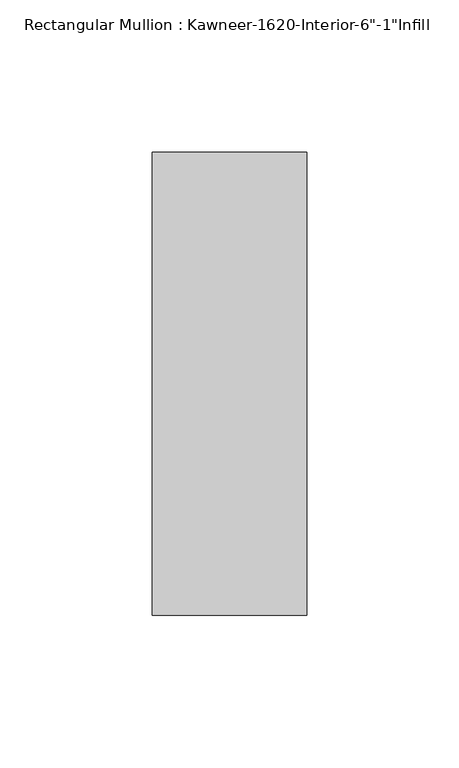
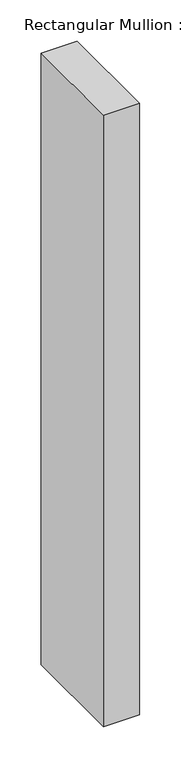
"""IFC4 building model written with IfcOpenShell, lengths in millimetres: member geometry."""

from ifc_helpers import new_model, si_unit, frame, origin, place, context, project, spatial, polyline, outline, extrude, source, transform, mapped, element, save


def member_448043e2(model_context):
    return source(origin(), model_context, "Body", "SweptSolid", [
        extrude(outline(polyline([(25.4, -114.3), (-25.4, -114.3), (-25.4, 38.1), (25.4, 38.1), (25.4, -114.3)])), frame((0.0, 0.0, -907.9565367), z_axis=(0.0, 0.0, 1.0), x_axis=(1.0, 0.0, 0.0)), (0.0, 0.0, 1.0), 907.9565367),
    ])


if __name__ == "__main__":
    model = new_model("IFC4")
    model_context = context("Model", 3, world=origin())
    ifc_project = project(units=[si_unit("LENGTHUNIT", "METRE", prefix="MILLI")], contexts=[model_context])
    site = spatial("IfcSite", under=ifc_project)
    building = spatial("IfcBuilding", under=site)
    placement = place(None, origin())
    member_shape = member_448043e2(model_context)
    element("IfcMember", 1, ObjectType="Rectangular Mullion : Kawneer-1620-Interior-6\"-1\"Infill", at=placement, inside=building, context=model_context, shape_type="MappedRepresentation", body=[
        mapped(member_shape, transform((0.0, 0.0, 0.0), x_axis=(1.0, 0.0, 0.0), y_axis=(0.0, 1.0, 0.0), z_axis=(0.0, 0.0, 1.0))),
    ])
    save(model, "model.ifc")
